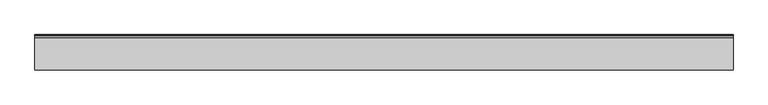
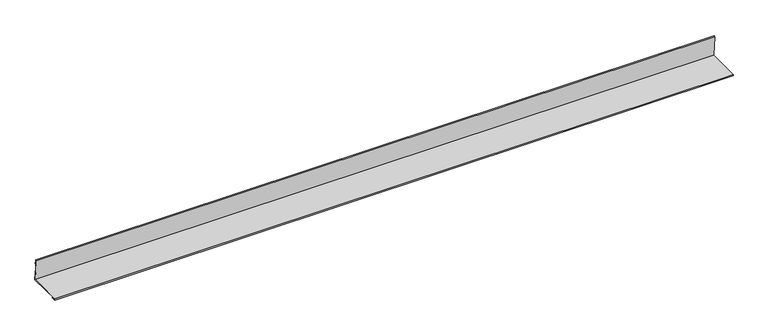
"""IFC4 building model written with IfcOpenShell, lengths in millimetres: proxy geometry."""

from ifc_helpers import new_model, si_unit, frame, origin, place, context, project, spatial, polyline, outline, extrude, source, transform, mapped, element, save


def generic_models_a5fe363c(model_context):
    return source(origin(), model_context, "Body", "SweptSolid", [
        extrude(outline(polyline([(-75.0275414, 2.0), (-85.0275414, 2.0), (-85.0275414, 5.0), (-5.0275414, 5.0), (-10.2539646, 54.7260948), (-7.2703989, 55.0396802), (-6.2251142, 45.0944612), (-7.2196361, 44.9899327), (-8.1603923, 53.9406298), (-9.1549142, 53.8361013), (-3.9169289, 4.0), (-84.0275414, 4.0), (-84.0275414, 3.0), (-75.0275414, 3.0), (-75.0275414, 2.0)])), frame((0.0, 0.0, 0.0), z_axis=(1.0, 0.0, 0.0), x_axis=(0.0, 1.0, 0.0)), (0.0, 0.0, 1.0), 1600.0),
    ])


if __name__ == "__main__":
    model = new_model("IFC4")
    model_context = context("Model", 3, world=origin())
    ifc_project = project(units=[si_unit("LENGTHUNIT", "METRE", prefix="MILLI")], contexts=[model_context])
    site = spatial("IfcSite", under=ifc_project)
    building = spatial("IfcBuilding", under=site)
    placement = place(None, origin())
    generic_models_shape = generic_models_a5fe363c(model_context)
    element("IfcBuildingElementProxy", 1, Name="Generic Models", at=placement, inside=building, context=model_context, shape_type="MappedRepresentation", body=[
        mapped(generic_models_shape, transform((0.0, 0.0, 0.0), x_axis=(1.0, 0.0, 0.0), y_axis=(0.0, 1.0, 0.0), z_axis=(0.0, 0.0, 1.0))),
    ])
    save(model, "model.ifc")
